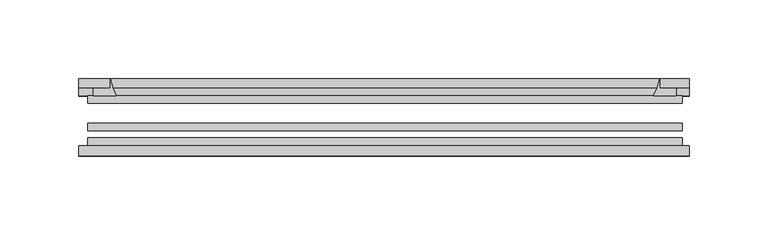
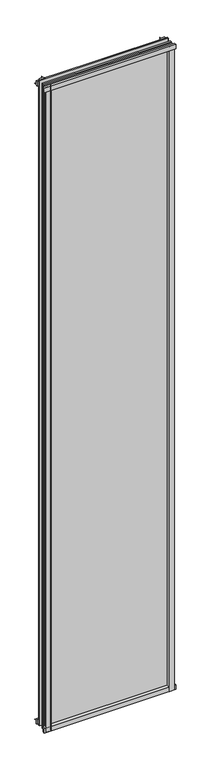
"""IFC4 building model written with IfcOpenShell, lengths in millimetres: plate geometry."""

from ifc_helpers import new_model, si_unit, point, frame, frame_2d, origin, place, context, project, spatial, polyline, circle_curve, trimmed, segment, composite_curve, outline, extrude, source, transform, mapped, element, save


def plate_fc9e75c1(model_context):
    return source(origin(), model_context, "Body", "SweptSolid", [
        extrude(outline(composite_curve([segment(polyline([(-85.1328625, 1995.5063002), (-78.7828625, 1995.5063002), (-78.7828625, 1979.2561909)]), True, "CONTINUOUS"), segment(trimmed(circle_curve(frame_2d((-85.0581856, 1970.2064356)), 11.0126179), [point((-78.7828625, 1979.2561909))], [point((-85.1328625, 1981.2188002))], True, "CARTESIAN"), True, "CONTINUOUS"), segment(polyline([(-85.1328625, 1981.2188002), (-85.1328625, 1995.5063002)]), True, "CONTINUOUS")], self_intersect=False)), frame((-194.6205005, 0.0, 0.0), z_axis=(1.0, 0.0, 0.0), x_axis=(0.0, 1.0, 0.0)), (0.0, 0.0, 1.0), 388.0503759),
        extrude(outline(composite_curve([segment(polyline([(-188.865813, -78.7828625), (-172.0045973, -78.7828625)]), True, "CONTINUOUS"), segment(trimmed(circle_curve(frame_2d((-161.4421938, -86.7604812)), 13.2365693), [point((-172.0045973, -78.7828625))], [point((-174.578313, -85.1328625))], True, "CARTESIAN"), True, "CONTINUOUS"), segment(polyline([(-174.578313, -85.1328625), (-188.865813, -85.1328625), (-188.865813, -78.7828625)]), True, "CONTINUOUS")], self_intersect=False)), frame((0.0, 0.0, -14.2875), z_axis=(0.0, 0.0, 1.0), x_axis=(1.0, 0.0, 0.0)), (0.0, 0.0, 1.0), 2009.775),
        extrude(outline(composite_curve([segment(polyline([(188.865813, -78.7828625), (188.865813, -85.1328625), (174.578313, -85.1328625)]), True, "CONTINUOUS"), segment(trimmed(circle_curve(frame_2d((161.4421938, -86.7604812)), 13.2365693), [point((174.578313, -85.1328625))], [point((172.0045973, -78.7828625))], True, "CARTESIAN"), True, "CONTINUOUS"), segment(polyline([(172.0045973, -78.7828625), (188.865813, -78.7828625)]), True, "CONTINUOUS")], self_intersect=False)), frame((0.0, 0.0, -14.2875), z_axis=(0.0, 0.0, 1.0), x_axis=(1.0, 0.0, 0.0)), (0.0, 0.0, 1.0), 2009.775),
        extrude(outline(composite_curve([segment(polyline([(-47.1852625, -10.4712201), (-47.1852625, 3.9588469)]), True, "CONTINUOUS"), segment(trimmed(circle_curve(frame_2d((-30.6824422, 32.267054)), 32.7673262), [point((-47.1852625, 3.9588469))], [point((-36.3503395, -0.00635))], True, "CARTESIAN"), True, "CONTINUOUS"), segment(polyline([(-36.3503395, -0.00635), (-42.2830625, -0.00635), (-42.2830625, -10.4712201), (-47.1852625, -10.4712201)]), True, "CONTINUOUS")], self_intersect=False)), frame((-194.6205005, 0.0, 0.0), z_axis=(1.0, 0.0, 0.0), x_axis=(0.0, 1.0, 0.0)), (0.0, 0.0, 1.0), 388.0503759),
        extrude(outline(composite_curve([segment(polyline([(-78.7828625, -14.2875), (-85.1328625, -14.2875), (-85.1328625, -0.0127)]), True, "CONTINUOUS"), segment(trimmed(circle_curve(frame_2d((-86.7604812, 13.1234191)), 13.2365693), [point((-85.1328625, -0.0127))], [point((-78.7828625, 2.5610156))], True, "CARTESIAN"), True, "CONTINUOUS"), segment(polyline([(-78.7828625, 2.5610156), (-78.7828625, -14.2875)]), True, "CONTINUOUS")], self_intersect=False)), frame((-194.6205005, 0.0, 0.0), z_axis=(1.0, 0.0, 0.0), x_axis=(0.0, 1.0, 0.0)), (0.0, 0.0, 1.0), 388.0503759),
        extrude(outline(composite_curve([segment(polyline([(-47.1852625, 1977.2284531), (-47.1852625, 1991.9002564), (-42.2830625, 1991.9002564), (-42.2830625, 1981.2), (-36.3140625, 1981.2)]), True, "CONTINUOUS"), segment(trimmed(circle_curve(frame_2d((-30.6824422, 1948.920246)), 32.7673262), [point((-36.3140625, 1981.2))], [point((-47.1852625, 1977.2284531))], True, "CARTESIAN"), True, "CONTINUOUS")], self_intersect=False)), frame((-194.6205005, 0.0, 0.0), z_axis=(1.0, 0.0, 0.0), x_axis=(0.0, 1.0, 0.0)), (0.0, 0.0, 1.0), 388.0503759),
        extrude(outline(composite_curve([segment(trimmed(circle_curve(frame_2d((142.298559, -30.6824422)), 32.7673262), [point((170.606766, -47.1852625))], [point((174.578313, -36.3140625))], True, "CARTESIAN"), True, "CONTINUOUS"), segment(polyline([(174.578313, -36.3140625), (174.578313, -42.2830625), (185.2786783, -42.2830625), (185.2786783, -47.1852625), (170.606766, -47.1852625)]), True, "CONTINUOUS")], self_intersect=False)), frame((0.0, 0.0, -14.2875), z_axis=(0.0, 0.0, 1.0), x_axis=(1.0, 0.0, 0.0)), (0.0, 0.0, 1.0), 2009.775),
        extrude(outline(composite_curve([segment(polyline([(-170.606766, -47.1852625), (-185.2735222, -47.1852625), (-185.2735222, -42.2830625), (-174.578313, -42.2830625), (-174.578313, -36.3140625)]), True, "CONTINUOUS"), segment(trimmed(circle_curve(frame_2d((-142.298559, -30.6824422)), 32.7673262), [point((-174.578313, -36.3140625))], [point((-170.606766, -47.1852625))], True, "CARTESIAN"), True, "CONTINUOUS")], self_intersect=False)), frame((0.0, 0.0, -14.2875), z_axis=(0.0, 0.0, 1.0), x_axis=(1.0, 0.0, 0.0)), (0.0, 0.0, 1.0), 2009.775),
        extrude(outline(polyline([(188.865813, -64.6604625), (188.865813, -69.4356625), (-188.865813, -69.4356625), (-188.865813, -64.6604625), (188.865813, -64.6604625)])), frame((0.0, 0.0, -14.2875), z_axis=(0.0, 0.0, 1.0), x_axis=(1.0, 0.0, 0.0)), (0.0, 0.0, 1.0), 2009.775),
        extrude(outline(polyline([(-188.865813, -78.7828625), (-188.865813, -74.0076625), (188.865813, -74.0076625), (188.865813, -78.7828625), (-188.865813, -78.7828625)])), frame((0.0, 0.0, -14.2875), z_axis=(0.0, 0.0, 1.0), x_axis=(1.0, 0.0, 0.0)), (0.0, 0.0, 1.0), 2009.775),
        extrude(outline(polyline([(-188.865813, -47.1852625), (188.865813, -47.1852625), (188.865813, -51.9604625), (-188.865813, -51.9604625), (-188.865813, -47.1852625)])), frame((0.0, 0.0, -14.2875), z_axis=(0.0, 0.0, 1.0), x_axis=(1.0, 0.0, 0.0)), (0.0, 0.0, 1.0), 2009.775),
    ])


if __name__ == "__main__":
    model = new_model("IFC4")
    model_context = context("Model", 3, world=origin())
    ifc_project = project(units=[si_unit("LENGTHUNIT", "METRE", prefix="MILLI")], contexts=[model_context])
    site = spatial("IfcSite", under=ifc_project)
    building = spatial("IfcBuilding", under=site)
    placement = place(None, origin())
    plate_shape = plate_fc9e75c1(model_context)
    element("IfcPlate", 1, at=placement, inside=building, context=model_context, shape_type="MappedRepresentation", body=[
        mapped(plate_shape, transform((0.0, 0.0, 0.0), x_axis=(1.0, 0.0, 0.0), y_axis=(0.0, 1.0, 0.0), z_axis=(0.0, 0.0, 1.0))),
    ])
    save(model, "model.ifc")
